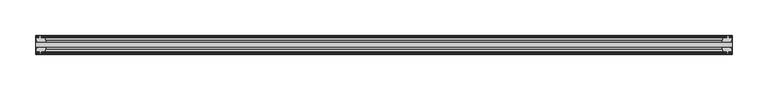
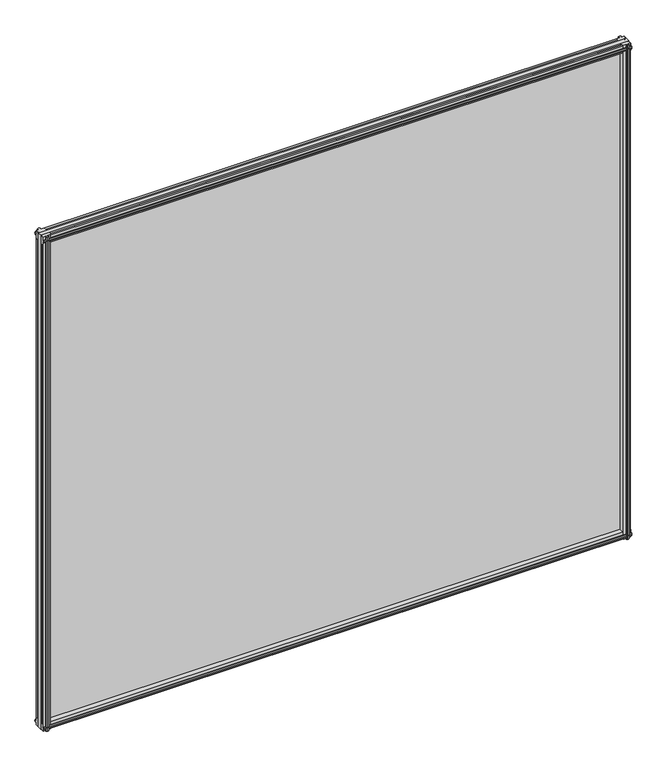
"""IFC4 building model written with IfcOpenShell, lengths in millimetres: plate geometry."""

from ifc_helpers import new_model, si_unit, frame, origin, place, context, project, spatial, polyline, outline, extrude, source, transform, mapped, element, save


def plate_d017c586(model_context):
    return source(origin(), model_context, "Body", "SweptSolid", [
        extrude(outline(polyline([(-485.7436469, -19.5460937), (485.7436469, -19.5460937), (485.7436469, -25.8960937), (-485.7436469, -25.8960937), (-485.7436469, -19.5460937)])), frame((0.0, 0.0, -12.7), z_axis=(0.0, 0.0, 1.0), x_axis=(1.0, 0.0, 0.0)), (0.0, 0.0, 1.0), 863.6),
        extrude(outline(polyline([(482.7689506, -25.8960937), (484.9816469, -29.2996938), (484.9816469, -32.2460938), (480.5366469, -32.2460938), (480.1556469, -34.6262907), (481.5711759, -34.1663575), (481.5711759, -34.9675717), (479.3936469, -35.6750938), (477.2161178, -34.9675717), (477.2161178, -34.1663575), (478.6316469, -34.6262907), (478.2506469, -32.2460938), (473.0436469, -32.2460938), (470.9383698, -25.8960937), (482.7689506, -25.8960937)])), frame((0.0, 0.0, -12.7), z_axis=(0.0, 0.0, 1.0), x_axis=(1.0, 0.0, 0.0)), (0.0, 0.0, 1.0), 863.6),
        extrude(outline(polyline([(477.7368178, -10.4746158), (479.9143469, -9.7670938), (482.0918759, -10.4746158), (482.0918759, -11.27583), (480.6763469, -10.8158968), (481.0573469, -13.1960938), (485.5023469, -13.1960938), (485.5023469, -16.1424938), (483.2896506, -19.5460937), (471.4590698, -19.5460937), (473.5643469, -13.1960938), (478.7713469, -13.1960938), (479.1523469, -10.8158968), (477.7368178, -11.27583), (477.7368178, -10.4746158)])), frame((0.0, 0.0, -12.7), z_axis=(0.0, 0.0, 1.0), x_axis=(1.0, 0.0, 0.0)), (0.0, 0.0, 1.0), 863.6),
        extrude(outline(polyline([(-470.9383698, -25.8960937), (-473.0436469, -32.2460937), (-478.2506469, -32.2460937), (-478.6316469, -34.6262907), (-477.2161178, -34.1663575), (-477.2161178, -34.9675717), (-479.3936469, -35.6750937), (-481.5711759, -34.9675717), (-481.5711759, -34.1663575), (-480.1556469, -34.6262907), (-480.5366469, -32.2460937), (-484.9816469, -32.2460937), (-484.9816469, -29.2996937), (-482.7689506, -25.8960937), (-470.9383698, -25.8960937)])), frame((0.0, 0.0, -12.7), z_axis=(0.0, 0.0, 1.0), x_axis=(1.0, 0.0, 0.0)), (0.0, 0.0, 1.0), 863.6),
        extrude(outline(polyline([(-480.6763469, -10.8158968), (-482.0918759, -11.27583), (-482.0918759, -10.4746158), (-479.9143469, -9.7670937), (-477.7368178, -10.4746158), (-477.7368178, -11.27583), (-479.1523469, -10.8158968), (-478.7713469, -13.1960937), (-473.5643469, -13.1960937), (-471.4590698, -19.5460937), (-483.2896506, -19.5460937), (-485.5023469, -16.1424937), (-485.5023469, -13.1960937), (-481.0573469, -13.1960937), (-480.6763469, -10.8158968)])), frame((0.0, 0.0, -12.7), z_axis=(0.0, 0.0, 1.0), x_axis=(1.0, 0.0, 0.0)), (0.0, 0.0, 1.0), 863.6),
        extrude(outline(polyline([(-13.1960937, 850.6587), (-13.1960937, 846.2137), (-10.8158968, 845.8327), (-11.27583, 847.248229), (-10.4746158, 847.248229), (-9.7670937, 845.0707), (-10.4746158, 842.8931709), (-11.27583, 842.8931709), (-10.8158968, 844.3087), (-13.1960937, 843.9277), (-13.1960937, 838.7207), (-19.5460937, 836.6154229), (-19.5460937, 848.4460038), (-16.1424937, 850.6587), (-13.1960937, 850.6587)])), frame((-485.7436469, 0.0, 0.0), z_axis=(1.0, 0.0, 0.0), x_axis=(0.0, 1.0, 0.0)), (0.0, 0.0, 1.0), 971.4872937),
        extrude(outline(polyline([(-29.2996937, 850.138), (-25.8960937, 847.9253038), (-25.8960937, 836.0947229), (-32.2460937, 838.2), (-32.2460937, 843.407), (-34.6262907, 843.788), (-34.1663575, 842.3724709), (-34.9675717, 842.3724709), (-35.6750937, 844.55), (-34.9675717, 846.7275291), (-34.1663575, 846.7275291), (-34.6262907, 845.312), (-32.2460937, 845.693), (-32.2460937, 850.138), (-29.2996937, 850.138)])), frame((-485.7436469, 0.0, 0.0), z_axis=(1.0, 0.0, 0.0), x_axis=(0.0, 1.0, 0.0)), (0.0, 0.0, 1.0), 971.4872937),
        extrude(outline(polyline([(-25.8960937, 2.1052771), (-25.8960937, -9.7253038), (-29.2996937, -11.938), (-32.2460937, -11.938), (-32.2460937, -7.493), (-34.6262907, -7.112), (-34.1663575, -8.5275291), (-34.9675717, -8.5275291), (-35.6750937, -6.35), (-34.9675717, -4.1724709), (-34.1663575, -4.1724709), (-34.6262907, -5.588), (-32.2460937, -5.207), (-32.2460937, 0.0), (-25.8960937, 2.1052771)])), frame((-485.7436469, 0.0, 0.0), z_axis=(1.0, 0.0, 0.0), x_axis=(0.0, 1.0, 0.0)), (0.0, 0.0, 1.0), 971.4872937),
        extrude(outline(polyline([(-19.5460937, 1.5845771), (-13.1960937, -0.5207), (-13.1960937, -5.7277), (-10.8158968, -6.1087), (-11.27583, -4.6931709), (-10.4746158, -4.6931709), (-9.7670937, -6.8707), (-10.4746158, -9.048229), (-11.27583, -9.048229), (-10.8158968, -7.6327), (-13.1960937, -8.0137), (-13.1960937, -12.4587), (-16.1424937, -12.4587), (-19.5460937, -10.2460038), (-19.5460937, 1.5845771)])), frame((-485.7436469, 0.0, 0.0), z_axis=(1.0, 0.0, 0.0), x_axis=(0.0, 1.0, 0.0)), (0.0, 0.0, 1.0), 971.4872937),
    ])


if __name__ == "__main__":
    model = new_model("IFC4")
    model_context = context("Model", 3, world=origin())
    ifc_project = project(units=[si_unit("LENGTHUNIT", "METRE", prefix="MILLI")], contexts=[model_context])
    site = spatial("IfcSite", under=ifc_project)
    building = spatial("IfcBuilding", under=site)
    placement = place(None, origin())
    plate_shape = plate_d017c586(model_context)
    element("IfcPlate", 1, at=placement, inside=building, context=model_context, shape_type="MappedRepresentation", body=[
        mapped(plate_shape, transform((0.0, 0.0, 0.0), x_axis=(1.0, 0.0, 0.0), y_axis=(0.0, 1.0, 0.0), z_axis=(0.0, 0.0, 1.0))),
    ])
    save(model, "model.ifc")
